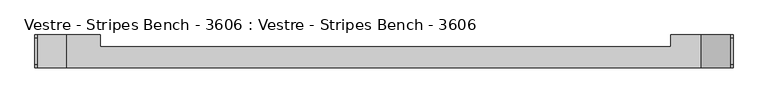
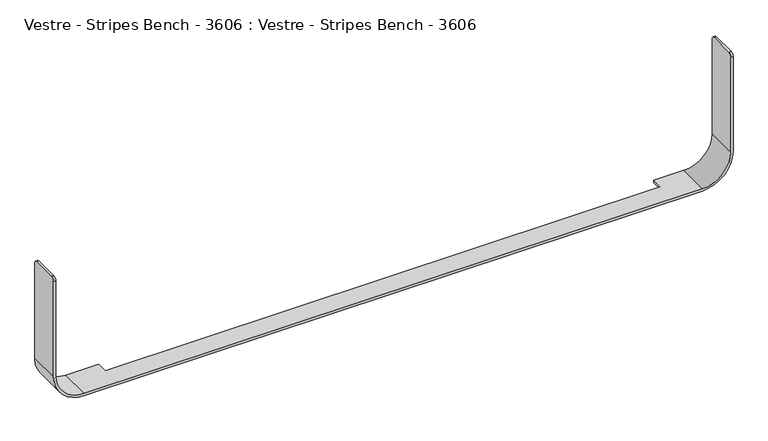
"""IFC4 building model written with IfcOpenShell, lengths in millimetres: furniture geometry, Vestre - Stripes Bench - 3606 : Vestre - Stripes Bench - 3606."""

from ifc_helpers import new_model, si_unit, frame, origin, place, context, project, spatial, polyline, circle_curve, source, transform, mapped, element, save
from ifc_brep_helpers import plane_surface, cylinder_surface, revolved_surface, advanced_brep


def vestre_stripes_bench_3606_vestre_stripes_bench_3606_57b3130f(model_context):
    return source(origin(), model_context, "Body", "AdvancedBrep", [
        advanced_brep(
        [(-890.0, -215.9999989, 140.0000274), (-810.0, -215.9999989, 60.0000274), (809.0262801, -215.9999989, 60.0000274), (890.0, -215.9999989, 140.9737473), (890.0, -215.9999989, 403.9888108), (884.0, -215.9999989, 403.9888108), (884.0, -215.9999989, 141.0000274), (809.0, -215.9999989, 66.0000274), (-809.0, -215.9999989, 66.0000274), (-884.0, -215.9999989, 141.0000274), (-884.0, -215.9999989, 403.9888108), (-890.0, -215.9999989, 403.9888108), (-884.0, -132.0, 141.0000274), (-809.0, -132.0, 66.0000274), (-723.4228799, -132.0, 66.0000274), (-723.4228799, -132.0, 60.0000274), (-810.0, -132.0, 60.0000274), (-890.0, -132.0, 140.0000274), (-890.0, -132.0, 403.9888108), (-890.0, -132.0, 404.9807049), (-884.0, -132.0, 404.9807049), (-884.0, -132.0, 403.9888108), (809.0, -132.0, 66.0000274), (884.0, -132.0, 141.0000274), (884.0, -132.0, 403.9888108), (884.0, -132.0, 404.9807049), (890.0, -132.0, 404.9807049), (890.0, -132.0, 403.9888108), (890.0, -132.0, 140.9737473), (809.0262801, -132.0, 60.0000274), (730.7574318, -132.0, 60.0000274), (730.7574318, -132.0, 66.0000274), (-723.4228799, -161.7936543, 60.0000274), (730.7574318, -161.7936543, 60.0000274), (890.0, -140.017209, 412.9979139), (890.0, -206.9908959, 412.9979139), (884.0, -206.9908959, 412.9979139), (884.0, -140.017209, 412.9979139), (730.7574318, -161.7936543, 66.0000274), (-723.4228799, -161.7936543, 66.0000274), (-884.0, -140.017209, 412.9979139), (-884.0, -206.9908959, 412.9979139), (-890.0, -206.9908959, 412.9979139), (-890.0, -140.017209, 412.9979139)],
        [
            (0, 1, circle_curve(frame((-810.0, -215.9999989, 140.0000274), z_axis=(0.0, -1.0, 0.0), x_axis=(1.0, 0.0, 0.0)), 80.0)),
            (1, 2),
            (2, 3, circle_curve(frame((809.0262801, -215.9999989, 140.9737473), z_axis=(0.0, -1.0, 0.0), x_axis=(1.0, 0.0, 0.0)), 80.9737199)),
            (3, 4),
            (4, 5),
            (5, 6),
            (6, 7, circle_curve(frame((809.0, -215.9999989, 141.0000274), z_axis=(0.0, 1.0, 0.0), x_axis=(1.0, 0.0, 0.0)), 75.0)),
            (7, 8),
            (8, 9, circle_curve(frame((-809.0, -215.9999989, 141.0000274), z_axis=(0.0, 1.0, 0.0), x_axis=(1.0, 0.0, 0.0)), 75.0)),
            (9, 10),
            (10, 11),
            (11, 0),
            (12, 13, circle_curve(frame((-809.0, -132.0, 141.0000274), z_axis=(0.0, -1.0, 0.0), x_axis=(1.0, 0.0, 0.0)), 75.0)),
            (13, 14),
            (14, 15),
            (15, 16),
            (16, 17, circle_curve(frame((-810.0, -132.0, 140.0000274), z_axis=(0.0, 1.0, 0.0), x_axis=(1.0, 0.0, 0.0)), 80.0)),
            (17, 18),
            (18, 19),
            (19, 20),
            (20, 21),
            (21, 12),
            (22, 23, circle_curve(frame((809.0, -132.0, 141.0000274), z_axis=(0.0, -1.0, 0.0), x_axis=(1.0, 0.0, 0.0)), 75.0)),
            (23, 24),
            (24, 25),
            (25, 26),
            (26, 27),
            (27, 28),
            (28, 29, circle_curve(frame((809.0262801, -132.0, 140.9737473), z_axis=(0.0, 1.0, 0.0), x_axis=(1.0, 0.0, 0.0)), 80.9737199)),
            (29, 30),
            (30, 31),
            (31, 22),
            (0, 17),
            (16, 1),
            (15, 32),
            (32, 33),
            (33, 30),
            (29, 2),
            (28, 3),
            (26, 34, circle_curve(frame((890.0, -140.017209, 404.9807049), z_axis=(1.0, 0.0, 0.0), x_axis=(0.0, 1.0, 0.0)), 8.017209)),
            (34, 35),
            (35, 4, circle_curve(frame((890.0, -206.9908959, 403.9888108), z_axis=(1.0, 0.0, 0.0), x_axis=(0.0, 1.0, 0.0)), 9.0091031)),
            (23, 6),
            (5, 36, circle_curve(frame((884.0, -206.9908959, 403.9888108), z_axis=(-1.0, 0.0, 0.0), x_axis=(0.0, 1.0, 0.0)), 9.0091031)),
            (36, 37),
            (37, 25, circle_curve(frame((884.0, -140.017209, 404.9807049), z_axis=(-1.0, 0.0, 0.0), x_axis=(0.0, 1.0, 0.0)), 8.017209)),
            (22, 7),
            (31, 38),
            (38, 39),
            (39, 14),
            (13, 8),
            (12, 9),
            (20, 40, circle_curve(frame((-884.0, -140.017209, 404.9807049), z_axis=(1.0, 0.0, 0.0), x_axis=(0.0, 1.0, 0.0)), 8.017209)),
            (40, 41),
            (41, 10, circle_curve(frame((-884.0, -206.9908959, 403.9888108), z_axis=(1.0, 0.0, 0.0), x_axis=(0.0, 1.0, 0.0)), 9.0091031)),
            (11, 42, circle_curve(frame((-890.0, -206.9908959, 403.9888108), z_axis=(-1.0, 0.0, 0.0), x_axis=(0.0, 1.0, 0.0)), 9.0091031)),
            (42, 43),
            (43, 19, circle_curve(frame((-890.0, -140.017209, 404.9807049), z_axis=(-1.0, 0.0, 0.0), x_axis=(0.0, 1.0, 0.0)), 8.017209)),
            (36, 35),
            (34, 37),
            (42, 41),
            (40, 43),
            (32, 39),
            (38, 33),
        ],
        [
            plane_surface(frame((-730.0, -215.9999989, 140.0000274), z_axis=(0.0, -1.0, 0.0), x_axis=(0.0, 0.0, 1.0))),
            plane_surface(frame((-730.0, -132.0, 140.0000274), z_axis=(0.0, 1.0, 0.0), x_axis=(0.0, 0.0, -1.0))),
            cylinder_surface(frame((-810.0, -132.0, 140.0000274), z_axis=(0.0, -1.0, 0.0), x_axis=(1.0, 0.0, 0.0)), 80.0),
            plane_surface(frame((-810.0, -215.9999989, 60.0000274), z_axis=(0.0, 0.0, -1.0), x_axis=(0.0, 1.0, 0.0))),
            cylinder_surface(frame((809.0262801, -132.0, 140.9737473), z_axis=(0.0, -1.0, 0.0), x_axis=(1.0, 0.0, 0.0)), 80.9737199),
            plane_surface(frame((890.0, -215.9999989, 140.9737473), z_axis=(1.0, 0.0, 0.0), x_axis=(0.0, 1.0, 0.0))),
            plane_surface(frame((884.0, -215.9999989, 415.1651333), z_axis=(-1.0, 0.0, 0.0), x_axis=(0.0, 1.0, 0.0))),
            revolved_surface(polyline([(884.0, -132.0, 141.0000274), (884.0, -215.9999989, 141.0000274)]), (809.0, -132.0, 141.0000274), (0.0, 1.0, 0.0)),
            plane_surface(frame((809.0, -215.9999989, 66.0000274), z_axis=(0.0, 0.0, 1.0), x_axis=(0.0, 1.0, 0.0))),
            revolved_surface(polyline([(-734.0, -132.0, 141.0000274), (-734.0, -215.9999989, 141.0000274)]), (-809.0, -132.0, 141.0000274), (0.0, 1.0, 0.0)),
            plane_surface(frame((-884.0, -215.9999989, 141.0000274), z_axis=(1.0, 0.0, 0.0), x_axis=(0.0, 1.0, 0.0))),
            plane_surface(frame((-890.0, -215.9999989, 416.0000274), z_axis=(-1.0, 0.0, 0.0), x_axis=(0.0, 1.0, 0.0))),
            plane_surface(frame((912.0976319, -206.9908959, 412.9979139), z_axis=(0.0, 0.0, 1.0), x_axis=(-1.0, 0.0, 0.0))),
            cylinder_surface(frame((-908.1810002, -140.017209, 404.9807049), z_axis=(-1.0, 0.0, 0.0), x_axis=(0.0, 1.0, 0.0)), 8.017209),
            cylinder_surface(frame((-908.1810002, -206.9908959, 403.9888108), z_axis=(-1.0, 0.0, 0.0), x_axis=(0.0, 1.0, 0.0)), 9.0091031),
            plane_surface(frame((-723.4228799, -161.7936543, 82.4921718), z_axis=(0.0, 1.0, 0.0), x_axis=(0.0, 0.0, -1.0))),
            plane_surface(frame((730.7574318, -161.7936543, 82.4921718), z_axis=(-1.0, 0.0, 0.0), x_axis=(0.0, 0.0, -1.0))),
            plane_surface(frame((-723.4228799, 150.6063449, 82.4921718), z_axis=(1.0, 0.0, 0.0), x_axis=(0.0, 0.0, -1.0))),
        ],
        [
            (0, [[1, 2, 3, 4, 5, 6, 7, 8, 9, 10, 11, 12]]),
            (1, [[13, 14, 15, 16, 17, 18, 19, 20, 21, 22]]),
            (1, [[23, 24, 25, 26, 27, 28, 29, 30, 31, 32]]),
            (2, [[-1, 33, -17, 34]]),
            (3, [[-2, -34, -16, 35, 36, 37, -30, 38]]),
            (4, [[-3, -38, -29, 39]]),
            (5, [[-39, -28, -27, 40, 41, 42, -4]]),
            (6, [[43, -6, 44, 45, 46, -25, -24]]),
            (7, [[-7, -43, -23, 47]]),
            (8, [[-8, -47, -32, 48, 49, 50, -14, 51]]),
            (9, [[-9, -51, -13, 52]]),
            (10, [[-52, -22, -21, 53, 54, 55, -10]]),
            (11, [[-33, -12, 56, 57, 58, -19, -18]]),
            (12, [[59, -41, 60, -45]]),
            (12, [[61, -54, 62, -57]]),
            (13, [[-60, -40, -26, -46]]),
            (13, [[-62, -53, -20, -58]]),
            (14, [[-59, -44, -5, -42]]),
            (14, [[-61, -56, -11, -55]]),
            (15, [[63, -49, 64, -36]]),
            (16, [[-64, -48, -31, -37]]),
            (17, [[-63, -35, -15, -50]]),
        ],
    ),
    ])


if __name__ == "__main__":
    model = new_model("IFC4")
    model_context = context("Model", 3, world=origin())
    ifc_project = project(units=[si_unit("LENGTHUNIT", "METRE", prefix="MILLI")], contexts=[model_context])
    site = spatial("IfcSite", under=ifc_project)
    building = spatial("IfcBuilding", under=site)
    placement = place(None, origin())
    vestre_stripes_bench_3606_vestre_stripes_bench_3606_shape = vestre_stripes_bench_3606_vestre_stripes_bench_3606_57b3130f(model_context)
    element("IfcFurniture", 1, ObjectType="Vestre - Stripes Bench - 3606 : Vestre - Stripes Bench - 3606", at=placement, inside=building, context=model_context, shape_type="MappedRepresentation", body=[
        mapped(vestre_stripes_bench_3606_vestre_stripes_bench_3606_shape, transform((0.0, 0.0, 0.0), x_axis=(1.0, 0.0, 0.0), y_axis=(0.0, 1.0, 0.0), z_axis=(0.0, 0.0, 1.0))),
    ])
    save(model, "model.ifc")
